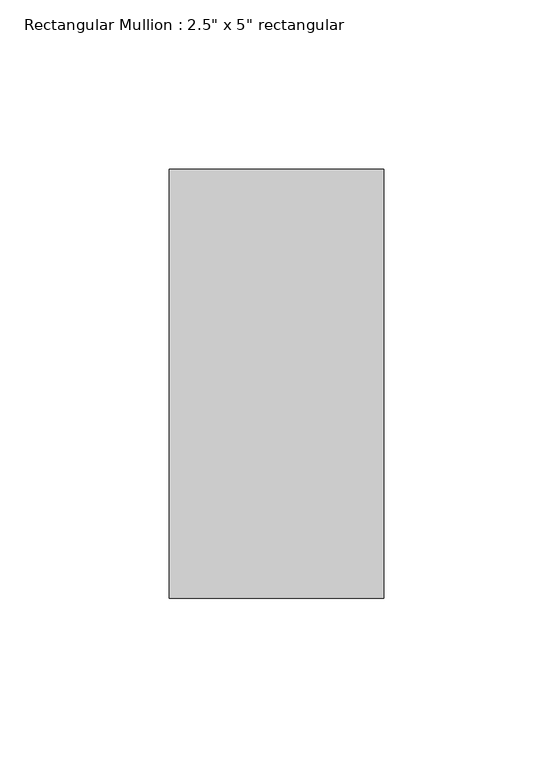
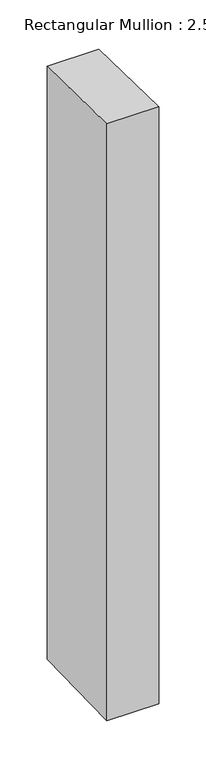
"""IFC4 building model written with IfcOpenShell, lengths in millimetres: member geometry."""

from ifc_helpers import new_model, si_unit, frame, origin, place, context, project, spatial, polyline, outline, extrude, source, transform, mapped, element, save


def member_56c9fe32(model_context):
    return source(origin(), model_context, "Body", "SweptSolid", [
        extrude(outline(polyline([(-63.5, 1.2995831), (63.5, -1.2995831), (63.5, -769.8236257), (-63.5, -772.3692599), (-63.5, 1.2995831)])), frame((-31.75, 0.0, 0.0), z_axis=(1.0, 0.0, 0.0), x_axis=(0.0, 1.0, 0.0)), (0.0, 0.0, 1.0), 63.5),
    ])


if __name__ == "__main__":
    model = new_model("IFC4")
    model_context = context("Model", 3, world=origin())
    ifc_project = project(units=[si_unit("LENGTHUNIT", "METRE", prefix="MILLI")], contexts=[model_context])
    site = spatial("IfcSite", under=ifc_project)
    building = spatial("IfcBuilding", under=site)
    placement = place(None, origin())
    member_shape = member_56c9fe32(model_context)
    element("IfcMember", 1, ObjectType="Rectangular Mullion : 2.5\" x 5\" rectangular", at=placement, inside=building, context=model_context, shape_type="MappedRepresentation", body=[
        mapped(member_shape, transform((0.0, 0.0, 0.0), x_axis=(1.0, 0.0, 0.0), y_axis=(0.0, 1.0, 0.0), z_axis=(0.0, 0.0, 1.0))),
    ])
    save(model, "model.ifc")
